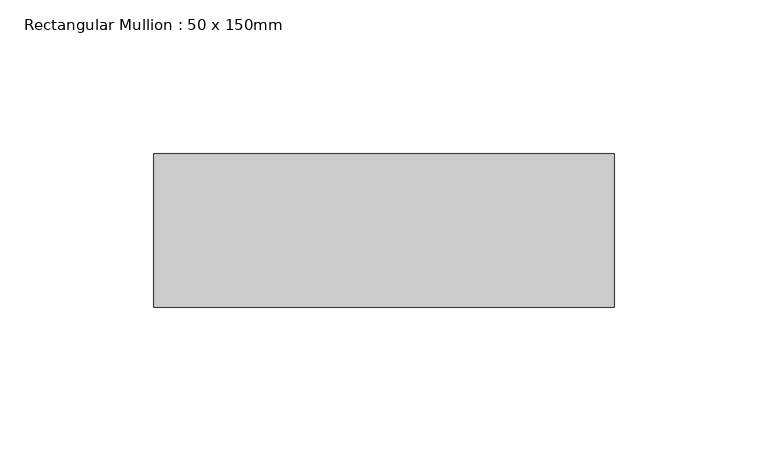
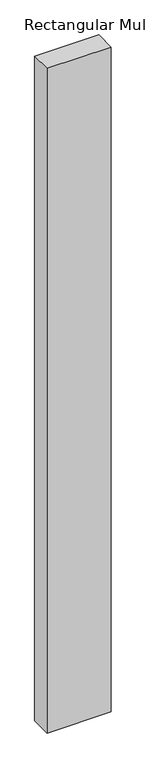
"""IFC4 building model written with IfcOpenShell, lengths in millimetres: member geometry, Rectangular Mullion : 50 x 150mm."""

from ifc_helpers import new_model, si_unit, frame, origin, place, context, project, spatial, polyline, outline, extrude, source, transform, mapped, element, save


def rectangular_mullion_50_x_150mm_fe966ccd(model_context):
    return source(origin(), model_context, "Body", "SweptSolid", [
        extrude(outline(polyline([(150.0, 50.0), (150.0, 0.0), (0.0, 0.0), (0.0, 50.0), (150.0, 50.0)])), frame((0.0, 0.0, -1642.0), z_axis=(0.0, 0.0, 1.0), x_axis=(1.0, 0.0, 0.0)), (0.0, 0.0, 1.0), 1642.0),
    ])


if __name__ == "__main__":
    model = new_model("IFC4")
    model_context = context("Model", 3, world=origin())
    ifc_project = project(units=[si_unit("LENGTHUNIT", "METRE", prefix="MILLI")], contexts=[model_context])
    site = spatial("IfcSite", under=ifc_project)
    building = spatial("IfcBuilding", under=site)
    placement = place(None, origin())
    rectangular_mullion_50_x_150mm_shape = rectangular_mullion_50_x_150mm_fe966ccd(model_context)
    element("IfcMember", 1, ObjectType="Rectangular Mullion : 50 x 150mm", at=placement, inside=building, context=model_context, shape_type="MappedRepresentation", body=[
        mapped(rectangular_mullion_50_x_150mm_shape, transform((0.0, 0.0, 0.0), x_axis=(1.0, 0.0, 0.0), y_axis=(0.0, 1.0, 0.0), z_axis=(0.0, 0.0, 1.0))),
    ])
    save(model, "model.ifc")
